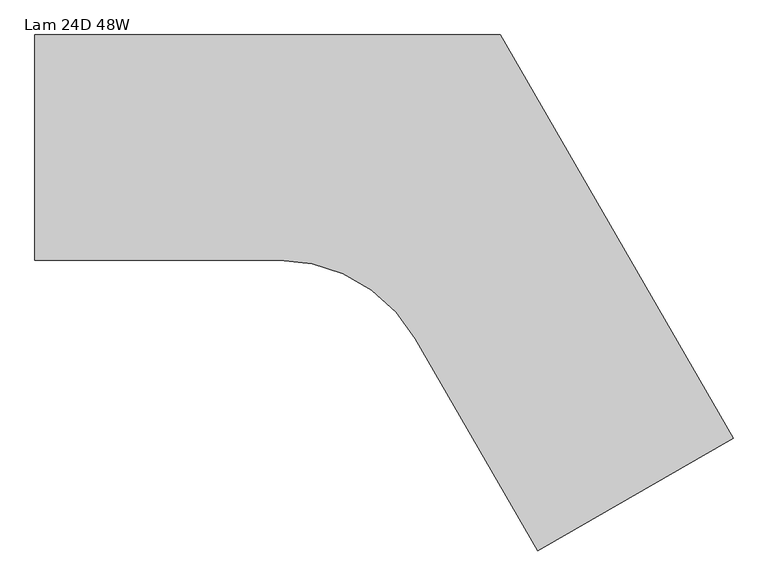
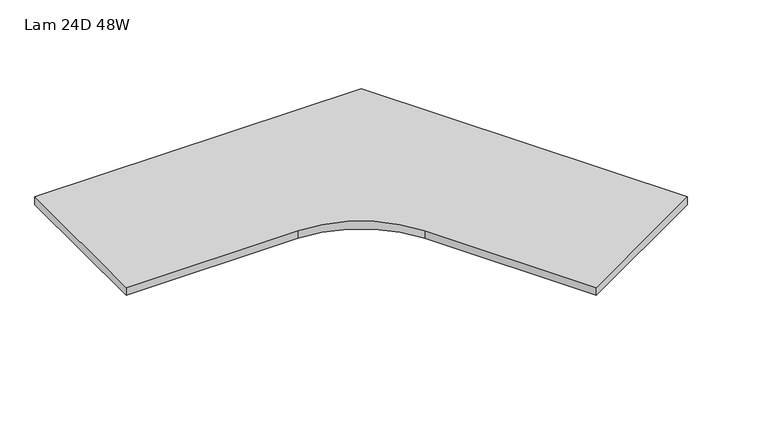
"""IFC4 building model written with IfcOpenShell, lengths in millimetres: furniture geometry, Lam 24D 48W."""

from ifc_helpers import new_model, si_unit, point, frame, frame_2d, origin, place, context, project, spatial, polyline, circle_curve, trimmed, segment, composite_curve, outline, extrude, source, transform, mapped, element, save


def lam_24d_48w_2af6158c(model_context):
    return source(origin(), model_context, "Body", "SweptSolid", [
        extrude(outline(composite_curve([segment(polyline([(598.34018, -25.4), (1201.55208, -1070.1936585), (695.6200391, -1362.2936585), (378.3740391, -812.807468)]), True, "CONTINUOUS"), segment(trimmed(circle_curve(frame_2d((26.40838, -1016.0149361)), 406.4149361), [point((378.3740391, -812.807468))], [point((26.40838, -609.6))], True, "CARTESIAN"), True, "CONTINUOUS"), segment(polyline([(26.40838, -609.6), (-608.08362, -609.6), (-608.08362, -25.4), (598.34018, -25.4)]), True, "CONTINUOUS")], self_intersect=False)), frame((0.0, 0.0, 706.7296), z_axis=(0.0, 0.0, 1.0), x_axis=(1.0, 0.0, 0.0)), (0.0, 0.0, 1.0), 29.8704),
    ])


if __name__ == "__main__":
    model = new_model("IFC4")
    model_context = context("Model", 3, world=origin())
    ifc_project = project(units=[si_unit("LENGTHUNIT", "METRE", prefix="MILLI")], contexts=[model_context])
    site = spatial("IfcSite", under=ifc_project)
    building = spatial("IfcBuilding", under=site)
    placement = place(None, origin())
    lam_24d_48w_shape = lam_24d_48w_2af6158c(model_context)
    element("IfcFurniture", 1, ObjectType="Lam 24D 48W", at=placement, inside=building, context=model_context, shape_type="MappedRepresentation", body=[
        mapped(lam_24d_48w_shape, transform((0.0, 0.0, 0.0), x_axis=(1.0, 0.0, 0.0), y_axis=(0.0, 1.0, 0.0), z_axis=(0.0, 0.0, 1.0))),
    ])
    save(model, "model.ifc")
